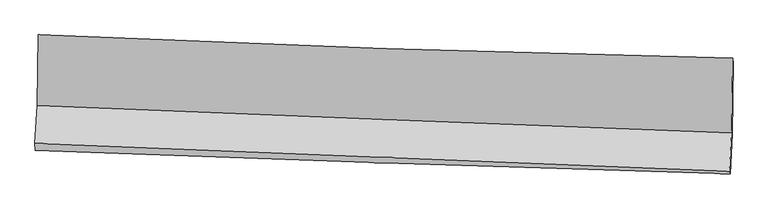
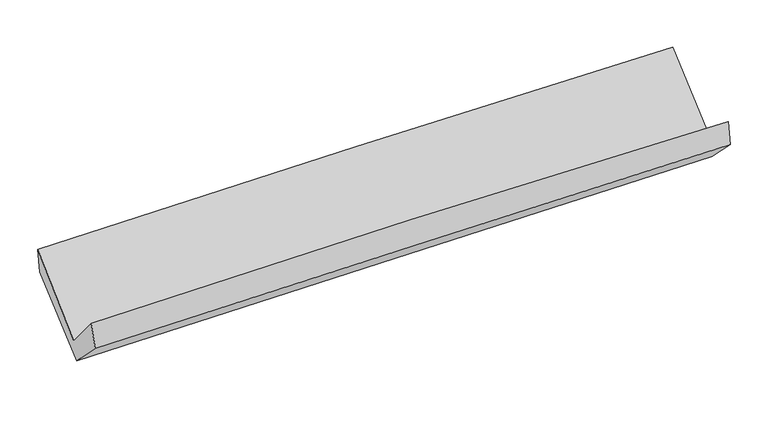
"""IFC4 building model written with IfcOpenShell, lengths in millimetres: proxy geometry."""

from ifc_helpers import new_model, si_unit, frame, origin, place, context, project, spatial, source, transform, mapped, element, save
from ifc_brep_helpers import plane_surface, spline_curve, spline_surface, advanced_brep


def generic_models_ffaf84b9(model_context):
    return source(origin(), model_context, "Body", "AdvancedBrep", [
        advanced_brep(
        [(-2370.5951165, -1136.7577612, 2193.2303133), (-2377.864388, -1621.9925429, 1755.0854243), (2366.1234577, -1806.9986423, 1841.0483808), (2372.8574621, -1297.1751732, 2262.302677), (-2392.5251626, -1880.1200904, 2057.2737237), (2351.4950155, -2069.6960133, 2135.214071), (-2390.6297784, -1928.1221647, 1884.2764749), (2354.6221392, -2089.8749242, 1963.0620299), (-2376.2677021, -1659.0640261, 1614.8909243), (2368.9656004, -1817.6405036, 1695.6040882), (-2367.9998683, -1159.7843372, 2026.6328981), (2375.4567271, -1328.6856555, 2098.1140266)],
        [
            (0, 1),
            (1, 2, spline_curve(3, [(-2377.864388, -1621.9925429, 1755.0854243), (-1587.456891236, -1654.076163728, 1780.152628025), (-796.933008217, -1685.534693439, 1799.849754109), (784.396259237, -1747.203470322, 1828.504735111), (1575.201658126, -1777.413640403, 1837.461927489), (2366.1234577, -1806.9986423, 1841.0483808)], [4, 2, 4], [0.0, 7.787965094263883, 15.576410185052637])),
            (2, 3),
            (3, 0, spline_curve(3, [(2372.8574621, -1297.1751732, 2262.302677), (1581.631599034, -1281.005853645, 2266.12141082), (790.718781252, -1259.552501492, 2262.274333841), (-790.432039731, -1206.079379515, 2239.24926769), (-1580.670081577, -1174.060260985, 2220.072223453), (-2370.5951165, -1136.7577612, 2193.2303133)], [4, 2, 4], [0.0, 7.788445090788755, 15.576410185052637])),
            (1, 4),
            (4, 5, spline_curve(3, [(-2392.5251626, -1880.1200904, 2057.2737237), (-1602.182827819, -1912.494560332, 2084.909962035), (-811.688832481, -1944.47931408, 2105.223135772), (769.651208033, -2007.67133662, 2131.204154049), (1560.497272377, -2038.878557028, 2136.871096331), (2351.4950155, -2069.6960133, 2135.214071)], [4, 2, 4], [0.0, 7.789392440389572, 15.579264965275799])),
            (5, 2),
            (4, 6),
            (6, 7, spline_curve(3, [(-2390.6297784, -1928.1221647, 1884.2764749), (-1599.892506741, -1957.750450398, 1900.560587073), (-809.098398584, -1986.043615819, 1915.267952517), (772.652233589, -2039.961366689, 1941.529998364), (1563.60876467, -2065.585787971, 1953.084484815), (2354.6221392, -2089.8749242, 1963.0620299)], [4, 2, 4], [0.0, 7.789476220932892, 15.579432531526095])),
            (7, 5),
            (6, 8),
            (8, 9, spline_curve(3, [(-2376.2677021, -1659.0640261, 1614.8909243), (-1585.552550186, -1689.220818434, 1630.853278868), (-794.771053503, -1717.51357124, 1645.560384836), (786.973372517, -1770.372626844, 1672.464927443), (1577.936309807, -1794.938699907, 1684.662209652), (2368.9656004, -1817.6405036, 1695.6040882)], [4, 2, 4], [0.0, 7.789510028491904, 15.579500148727783])),
            (9, 7),
            (8, 10),
            (10, 11, spline_curve(3, [(-2367.9998683, -1159.7843372, 2026.6328981), (-1577.539674057, -1188.202460816, 2044.122442178), (-787.033709535, -1216.486203051, 2058.823877261), (794.118483299, -1272.786659081, 2082.651263795), (1584.764717416, -1300.803356267, 2091.776871561), (2375.4567271, -1328.6856555, 2098.1140266)], [4, 2, 4], [0.0, 7.788149484104518, 15.576778976098428])),
            (11, 9),
            (10, 0),
            (3, 11),
        ],
        [
            spline_surface(3, 3, [[(-2370.5951165, -1136.7577612, 2193.2303133), (-1580.67008147, -1174.060261069, 2220.072223496), (-790.432039702, -1206.07937952, 2239.249267726), (790.718781224, -1259.552501487, 2262.274333805), (1581.631599036, -1281.005853667, 2266.121410813), (2372.8574621, -1297.1751732, 2262.302677)], [(-2373.018207004, -1298.502688429, 2047.18201698), (-1582.932351386, -1334.065561994, 2073.432358333), (-792.599029231, -1365.897817488, 2092.782763245), (788.611273906, -1422.102824421, 2117.684467567), (1579.488285461, -1446.475115933, 2123.234916429), (2370.61279399, -1467.116329555, 2121.884578288)], [(-2375.441297496, -1460.247615671, 1901.13372062), (-1585.19462129, -1494.070862931, 1926.792493129), (-794.76601874, -1525.716255479, 1946.316258688), (786.503766606, -1584.653147378, 1973.094601253), (1577.344971817, -1611.944378235, 1980.348421981), (2368.36812581, -1637.057485945, 1981.466479512)], [(-2377.864388, -1621.9925429, 1755.0854243), (-1587.456891207, -1654.076163856, 1780.152627966), (-796.933008268, -1685.534693448, 1799.849754206), (784.396259289, -1747.203470313, 1828.504735015), (1575.201658242, -1777.413640501, 1837.461927597), (2366.1234577, -1806.9986423, 1841.0483808)]], [4, 4], [4, 2, 4], [0.0, 2.1375141962207653], [0.0, 7.787965094263883, 15.576410185052637]),
            spline_surface(3, 3, [[(-2377.864388, -1621.9925429, 1755.0854243), (-1587.456891207, -1654.076163856, 1780.152627966), (-796.933008268, -1685.534693448, 1799.849754206), (784.396259289, -1747.203470313, 1828.504735015), (1575.201658242, -1777.413640501, 1837.461927597), (2366.1234577, -1806.9986423, 1841.0483808)], [(-2382.751312868, -1708.03505873, 1855.814857434), (-1592.365536711, -1740.215629379, 1881.738405984), (-801.851616359, -1771.84956703, 1901.640881337), (779.481242234, -1834.02609239, 1929.404541364), (1570.30019626, -1864.568612687, 1937.264983804), (2361.247310288, -1894.564432632, 1939.103610846)], [(-2387.638237732, -1794.07757457, 1956.544290566), (-1597.27418221, -1826.355094911, 1983.324183999), (-806.770224466, -1858.164440593, 2003.432008547), (774.566225163, -1920.848714449, 2030.304347793), (1565.398734313, -1951.723584878, 2037.068040074), (2356.371162912, -1982.130222968, 2037.158840954)], [(-2392.5251626, -1880.1200904, 2057.2737237), (-1602.182827714, -1912.494560435, 2084.909962017), (-811.688832556, -1944.479314174, 2105.223135678), (769.651208109, -2007.671336526, 2131.204154143), (1560.497272331, -2038.878557064, 2136.871096281), (2351.4950155, -2069.6960133, 2135.214071)]], [4, 4], [4, 2, 4], [0.0, 1.3127583606722137], [0.0, 7.789392440389572, 15.579264965275799]),
            spline_surface(3, 3, [[(-2392.5251626, -1880.1200904, 2057.2737237), (-1602.182827714, -1912.494560435, 2084.909962017), (-811.688832556, -1944.479314174, 2105.223135678), (769.651208109, -2007.671336526, 2131.204154143), (1560.497272331, -2038.878557064, 2136.871096281), (2351.4950155, -2069.6960133, 2135.214071)], [(-2391.893367862, -1896.12078185, 1999.607974091), (-1601.41938741, -1927.579857119, 2023.460170375), (-810.825354564, -1958.334081354, 2041.904741264), (770.651549937, -2018.434679953, 2067.97943559), (1561.534436412, -2047.780967396, 2075.608892478), (2352.537390058, -2076.422316951, 2077.830057323)], [(-2391.261573138, -1912.12147325, 1941.942224509), (-1600.655947119, -1942.665153754, 1962.01037876), (-809.961876577, -1972.188848528, 1978.586346831), (771.651891761, -2029.198023374, 2004.754717017), (1562.571600517, -2056.683377674, 2014.346688605), (2353.579764642, -2083.148620549, 2020.446043577)], [(-2390.6297784, -1928.1221647, 1884.2764749), (-1599.892506814, -1957.750450439, 1900.560587119), (-809.098398585, -1986.043615708, 1915.267952417), (772.65223359, -2039.961366801, 1941.529998464), (1563.608764598, -2065.585788006, 1953.084484802), (2354.6221392, -2089.8749242, 1963.0620299)]], [4, 4], [4, 2, 4], [0.0, 0.6344928579154806], [0.0, 7.789476220932892, 15.579432531526095]),
            spline_surface(3, 3, [[(-2390.6297784, -1928.1221647, 1884.2764749), (-1599.892506814, -1957.750450439, 1900.560587119), (-809.098398585, -1986.043615708, 1915.267952417), (772.65223359, -2039.961366801, 1941.529998464), (1563.608764598, -2065.585788006, 1953.084484802), (2354.6221392, -2089.8749242, 1963.0620299)], [(-2385.842419631, -1838.436118499, 1794.481291385), (-1595.112521301, -1868.240573095, 1810.658151096), (-804.322616868, -1896.533600888, 1825.365429877), (777.425946573, -1950.098453486, 1851.841641471), (1568.384613034, -1975.37009194, 1863.610393082), (2359.40329294, -1999.130117315, 1873.909382654)], [(-2381.055060869, -1748.750072301, 1704.686107815), (-1590.332535796, -1778.730695755, 1720.755715018), (-799.546835197, -1807.023586057, 1735.462907337), (782.19965951, -1860.23554016, 1762.153284476), (1573.16046145, -1885.15439593, 1774.1363014), (2364.18444666, -1908.385310485, 1784.756735446)], [(-2376.2677021, -1659.0640261, 1614.8909243), (-1585.552550283, -1689.220818412, 1630.853278996), (-794.77105348, -1717.513571238, 1645.560384797), (786.973372494, -1770.372626846, 1672.464927483), (1577.936309886, -1794.938699864, 1684.662209679), (2368.9656004, -1817.6405036, 1695.6040882)]], [4, 4], [4, 2, 4], [0.0, 1.250026420174484], [0.0, 7.789510028491904, 15.579500148727783]),
            spline_surface(3, 3, [[(-2376.2677021, -1659.0640261, 1614.8909243), (-1585.552550283, -1689.220818412, 1630.853278996), (-794.77105348, -1717.513571238, 1645.560384797), (786.973372494, -1770.372626846, 1672.464927483), (1577.936309886, -1794.938699864, 1684.662209679), (2368.9656004, -1817.6405036, 1695.6040882)], [(-2373.511757504, -1492.637463137, 1752.138248892), (-1582.881591508, -1522.214699258, 1768.609666699), (-792.191938856, -1550.504448516, 1783.314882279), (789.35507607, -1604.510637587, 1809.193706246), (1580.212445721, -1630.226918706, 1820.367096962), (2371.129309316, -1654.65555424, 1829.774067684)], [(-2370.755812896, -1326.210900163, 1889.385573508), (-1580.21063272, -1355.208580092, 1906.366054425), (-789.612824157, -1383.495325789, 1921.06937978), (791.73677972, -1438.648648323, 1945.92248503), (1582.488581508, -1465.51513753, 1956.071984193), (2373.293018184, -1491.67060486, 1963.944047116)], [(-2367.9998683, -1159.7843372, 2026.6328981), (-1577.539673944, -1188.202460939, 2044.122442128), (-787.033709533, -1216.486203068, 2058.823877261), (794.118483297, -1272.786659064, 2082.651263794), (1584.764717342, -1300.803356373, 2091.776871476), (2375.4567271, -1328.6856555, 2098.1140266)]], [4, 4], [4, 2, 4], [0.0, 2.123389745592076], [0.0, 7.788149484104518, 15.576778976098428]),
            spline_surface(3, 3, [[(-2367.9998683, -1159.7843372, 2026.6328981), (-1577.539673944, -1188.202460939, 2044.122442128), (-787.033709533, -1216.486203068, 2058.823877261), (794.118483297, -1272.786659064, 2082.651263794), (1584.764717342, -1300.803356373, 2091.776871476), (2375.4567271, -1328.6856555, 2098.1140266)], [(-2368.864951031, -1152.108811854, 2082.165369817), (-1578.583143117, -1183.488394303, 2102.772369234), (-788.166486248, -1213.017261879, 2118.965674084), (792.98524928, -1268.375273199, 2142.525620466), (1583.720344548, -1294.204188812, 2149.891717893), (2374.590305408, -1318.182161408, 2152.843576705)], [(-2369.730033769, -1144.433286546, 2137.697841583), (-1579.626612297, -1178.774327704, 2161.42229639), (-789.299262987, -1209.548320709, 2179.107470903), (791.85201524, -1263.963887353, 2202.399977133), (1582.67597183, -1287.605021227, 2208.006564396), (2373.723883792, -1307.678667292, 2207.573126895)], [(-2370.5951165, -1136.7577612, 2193.2303133), (-1580.67008147, -1174.060261069, 2220.072223496), (-790.432039702, -1206.07937952, 2239.249267726), (790.718781224, -1259.552501487, 2262.274333805), (1581.631599036, -1281.005853667, 2266.121410813), (2372.8574621, -1297.1751732, 2262.302677)]], [4, 4], [4, 2, 4], [0.0, 0.5920074812825651], [0.0, 7.786772793067623, 15.574025509174884]),
            plane_surface(frame((2364.920067, -1735.0118187, 1999.2242122), z_axis=(0.9992744929573365, -0.03122105699771425, 0.02181131185425676), x_axis=(0.010248864933916238, 0.7720126862078102, 0.6355244866264144))),
            plane_surface(frame((-2379.3136693, -1564.3068204, 1921.8982931), z_axis=(-0.9992467690342068, 0.03316426487936896, -0.02015008957075406), x_axis=(0.01542942362744499, -0.13689896692081013, -0.9904648432642825))),
        ],
        [
            (0, [[1, 2, 3, 4]]),
            (1, [[5, 6, 7, -2]]),
            (2, [[8, 9, 10, -6]]),
            (3, [[11, 12, 13, -9]]),
            (4, [[14, 15, 16, -12]]),
            (5, [[17, -4, 18, -15]]),
            (6, [[-16, -18, -3, -7, -10, -13]]),
            (7, [[-17, -14, -11, -8, -5, -1]]),
        ],
    ),
    ])


if __name__ == "__main__":
    model = new_model("IFC4")
    model_context = context("Model", 3, world=origin())
    ifc_project = project(units=[si_unit("LENGTHUNIT", "METRE", prefix="MILLI")], contexts=[model_context])
    site = spatial("IfcSite", under=ifc_project)
    building = spatial("IfcBuilding", under=site)
    placement = place(None, origin())
    generic_models_shape = generic_models_ffaf84b9(model_context)
    element("IfcBuildingElementProxy", 1, Name="Generic Models", at=placement, inside=building, context=model_context, shape_type="MappedRepresentation", body=[
        mapped(generic_models_shape, transform((0.0, 0.0, 0.0), x_axis=(1.0, 0.0, 0.0), y_axis=(0.0, 1.0, 0.0), z_axis=(0.0, 0.0, 1.0))),
    ])
    save(model, "model.ifc")
